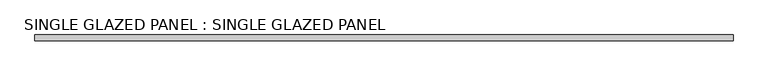
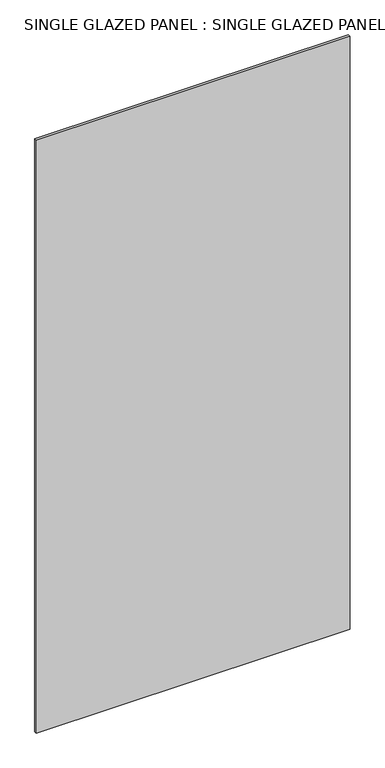
"""IFC4 building model written with IfcOpenShell, lengths in millimetres: plate geometry, SINGLE GLAZED PANEL : SINGLE GLAZED PANEL."""

from ifc_helpers import new_model, si_unit, origin, origin_with_axes, place, context, project, spatial, polyline, outline, extrude, source, transform, mapped, element, save


def single_glazed_panel_single_glazed_panel_449ea806(model_context):
    return source(origin(), model_context, "Body", "SweptSolid", [
        extrude(outline(polyline([(762.0, 6.35), (762.0, -6.35), (-762.0, -6.35), (-762.0, 6.35), (762.0, 6.35)])), origin_with_axes(), (0.0, 0.0, 1.0), 3041.65),
    ])


if __name__ == "__main__":
    model = new_model("IFC4")
    model_context = context("Model", 3, world=origin())
    ifc_project = project(units=[si_unit("LENGTHUNIT", "METRE", prefix="MILLI")], contexts=[model_context])
    site = spatial("IfcSite", under=ifc_project)
    building = spatial("IfcBuilding", under=site)
    placement = place(None, origin())
    single_glazed_panel_single_glazed_panel_shape = single_glazed_panel_single_glazed_panel_449ea806(model_context)
    element("IfcPlate", 1, ObjectType="SINGLE GLAZED PANEL : SINGLE GLAZED PANEL", at=placement, inside=building, context=model_context, shape_type="MappedRepresentation", body=[
        mapped(single_glazed_panel_single_glazed_panel_shape, transform((0.0, 0.0, 0.0), x_axis=(1.0, 0.0, 0.0), y_axis=(0.0, 1.0, 0.0), z_axis=(0.0, 0.0, 1.0))),
    ])
    save(model, "model.ifc")
